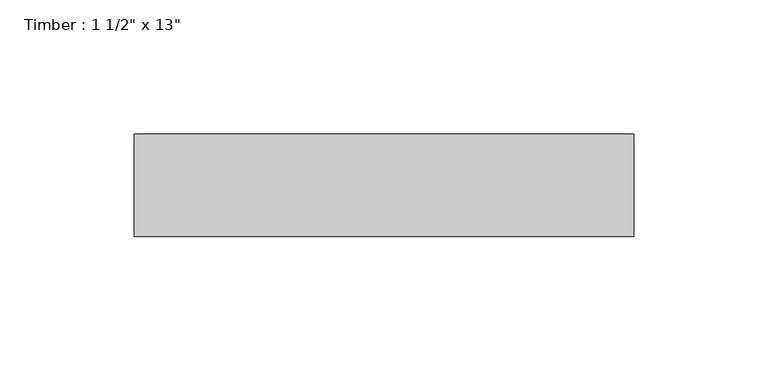
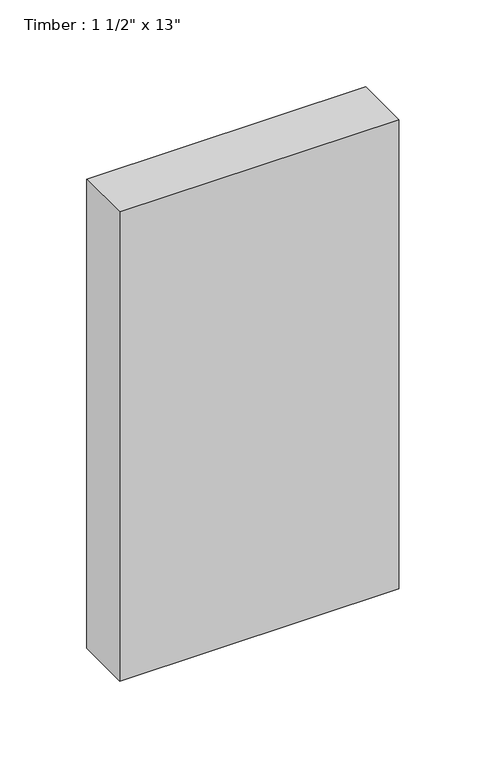
"""IFC4 building model written with IfcOpenShell, lengths in millimetres: beam geometry."""

from ifc_helpers import new_model, si_unit, frame, origin, place, context, project, spatial, polyline, outline, extrude, source, transform, mapped, element, save


def beam_b6b10c58(model_context):
    return source(origin(), model_context, "Body", "SweptSolid", [
        extrude(outline(polyline([(92.86875, 19.05), (92.86875, -19.05), (-92.86875, -19.05), (-92.86875, 19.05), (92.86875, 19.05)])), frame((0.0, 0.0, -165.1), z_axis=(0.0, 0.0, 1.0), x_axis=(1.0, 0.0, 0.0)), (0.0, 0.0, 1.0), 330.2),
    ])


if __name__ == "__main__":
    model = new_model("IFC4")
    model_context = context("Model", 3, world=origin())
    ifc_project = project(units=[si_unit("LENGTHUNIT", "METRE", prefix="MILLI")], contexts=[model_context])
    site = spatial("IfcSite", under=ifc_project)
    building = spatial("IfcBuilding", under=site)
    placement = place(None, origin())
    beam_shape = beam_b6b10c58(model_context)
    element("IfcBeam", 1, ObjectType="Timber : 1 1/2\" x 13\"", at=placement, inside=building, context=model_context, shape_type="MappedRepresentation", body=[
        mapped(beam_shape, transform((0.0, 0.0, 0.0), x_axis=(1.0, 0.0, 0.0), y_axis=(0.0, 1.0, 0.0), z_axis=(0.0, 0.0, 1.0))),
    ])
    save(model, "model.ifc")
